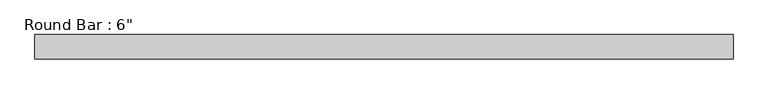
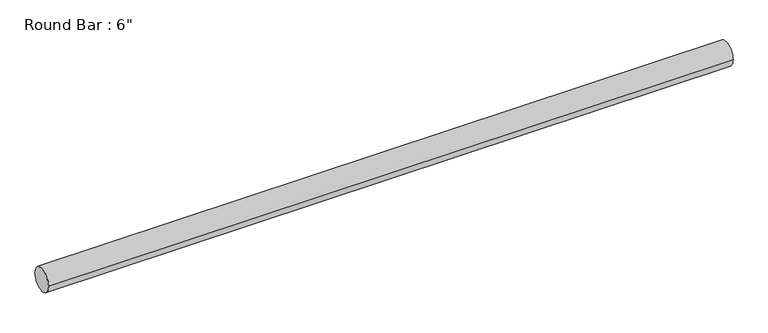
"""IFC4 building model written with IfcOpenShell, lengths in millimetres: beam geometry."""

from ifc_helpers import new_model, si_unit, point, frame, origin, origin_2d, place, context, project, spatial, circle_curve, trimmed, segment, composite_curve, outline, extrude, source, transform, mapped, element, save


def beam_ab6c7ab9(model_context):
    return source(origin(), model_context, "Body", "SweptSolid", [
        extrude(outline(composite_curve([segment(trimmed(circle_curve(origin_2d(), 76.2), [point((76.2, 0.0))], [point((-76.2, 0.0))], False, "CARTESIAN"), True, "CONTINUOUS"), segment(trimmed(circle_curve(origin_2d(), 76.2), [point((-76.2, 0.0))], [point((76.2, 0.0))], False, "CARTESIAN"), True, "CONTINUOUS")], self_intersect=False)), frame((-2093.209846, 0.0, 0.0), z_axis=(1.0, 0.0, 0.0), x_axis=(0.0, 1.0, 0.0)), (0.0, 0.0, 1.0), 4389.619692),
    ])


if __name__ == "__main__":
    model = new_model("IFC4")
    model_context = context("Model", 3, world=origin())
    ifc_project = project(units=[si_unit("LENGTHUNIT", "METRE", prefix="MILLI")], contexts=[model_context])
    site = spatial("IfcSite", under=ifc_project)
    building = spatial("IfcBuilding", under=site)
    placement = place(None, origin())
    beam_shape = beam_ab6c7ab9(model_context)
    element("IfcBeam", 1, ObjectType="Round Bar : 6\"", at=placement, inside=building, context=model_context, shape_type="MappedRepresentation", body=[
        mapped(beam_shape, transform((0.0, 0.0, 0.0), x_axis=(1.0, 0.0, 0.0), y_axis=(0.0, 1.0, 0.0), z_axis=(0.0, 0.0, 1.0))),
    ])
    save(model, "model.ifc")
